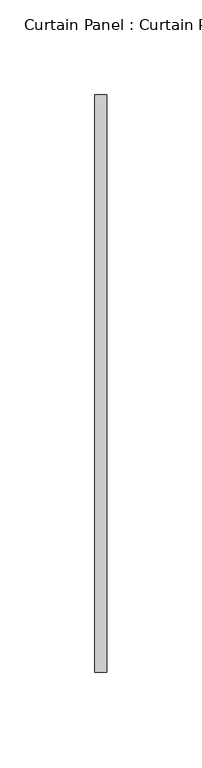
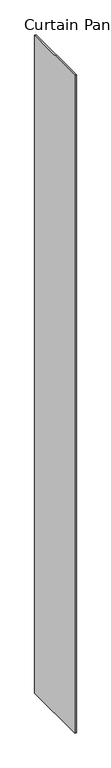
"""IFC4 building model written with IfcOpenShell, lengths in millimetres: plate geometry, Curtain Panel : Curtain Panel."""

from ifc_helpers import new_model, si_unit, origin, origin_with_axes, place, context, project, spatial, polyline, outline, extrude, source, transform, mapped, element, save


def curtain_panel_curtain_panel_de877634(model_context):
    return source(origin(), model_context, "Body", "SweptSolid", [
        extrude(outline(polyline([(-12639.2110898, 2100.3994948), (-12639.2110898, 2405.1994948), (-12632.8610898, 2405.1994948), (-12632.8610898, 2100.3994948), (-12639.2110898, 2100.3994948)])), origin_with_axes(), (0.0, 0.0, 1.0), 3048.0),
    ])


if __name__ == "__main__":
    model = new_model("IFC4")
    model_context = context("Model", 3, world=origin())
    ifc_project = project(units=[si_unit("LENGTHUNIT", "METRE", prefix="MILLI")], contexts=[model_context])
    site = spatial("IfcSite", under=ifc_project)
    building = spatial("IfcBuilding", under=site)
    placement = place(None, origin())
    curtain_panel_curtain_panel_shape = curtain_panel_curtain_panel_de877634(model_context)
    element("IfcPlate", 1, ObjectType="Curtain Panel : Curtain Panel", at=placement, inside=building, context=model_context, shape_type="MappedRepresentation", body=[
        mapped(curtain_panel_curtain_panel_shape, transform((0.0, 0.0, 0.0), x_axis=(1.0, 0.0, 0.0), y_axis=(0.0, 1.0, 0.0), z_axis=(0.0, 0.0, 1.0))),
    ])
    save(model, "model.ifc")
